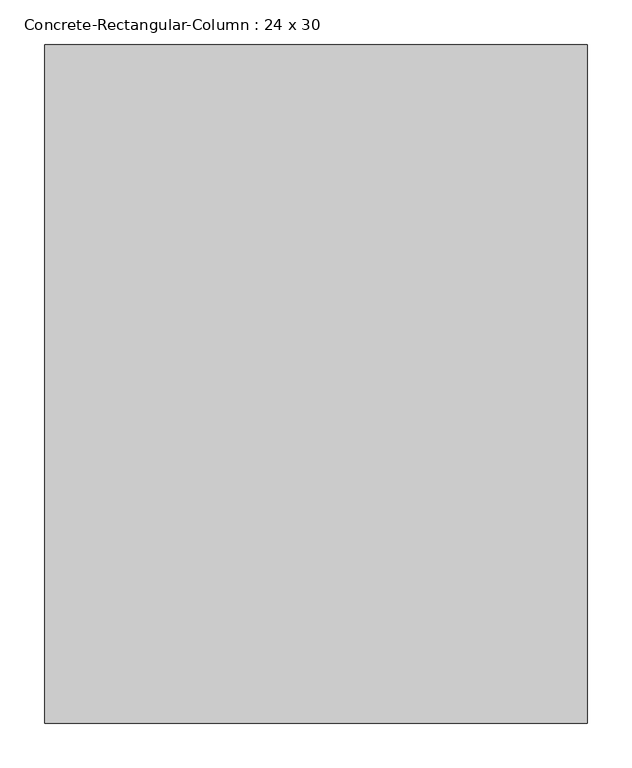
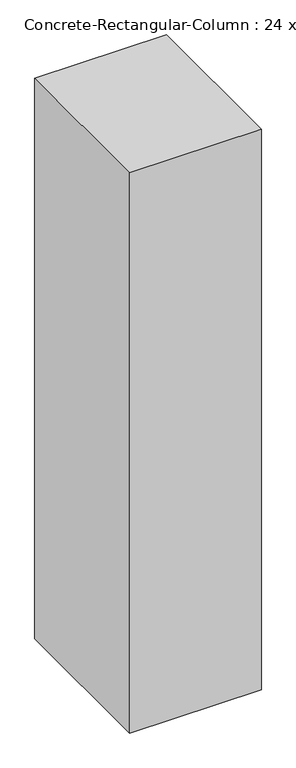
"""IFC4 building model written with IfcOpenShell, lengths in millimetres: column geometry, Concrete-Rectangular-Column : 24 x 30."""

from ifc_helpers import new_model, si_unit, frame, origin, place, context, project, spatial, polyline, outline, extrude, source, transform, mapped, element, save


def concrete_rectangular_column_24_x_30_e92cc832(model_context):
    return source(origin(), model_context, "Body", "SweptSolid", [
        extrude(outline(polyline([(304.8, 381.0), (304.8, -381.0), (-304.8, -381.0), (-304.8, 381.0), (304.8, 381.0)])), frame((0.0, 0.0, -2743.2), z_axis=(0.0, 0.0, 1.0), x_axis=(1.0, 0.0, 0.0)), (0.0, 0.0, 1.0), 2743.2),
    ])


if __name__ == "__main__":
    model = new_model("IFC4")
    model_context = context("Model", 3, world=origin())
    ifc_project = project(units=[si_unit("LENGTHUNIT", "METRE", prefix="MILLI")], contexts=[model_context])
    site = spatial("IfcSite", under=ifc_project)
    building = spatial("IfcBuilding", under=site)
    placement = place(None, origin())
    concrete_rectangular_column_24_x_30_shape = concrete_rectangular_column_24_x_30_e92cc832(model_context)
    element("IfcColumn", 1, ObjectType="Concrete-Rectangular-Column : 24 x 30", at=placement, inside=building, context=model_context, shape_type="MappedRepresentation", body=[
        mapped(concrete_rectangular_column_24_x_30_shape, transform((0.0, 0.0, 0.0), x_axis=(1.0, 0.0, 0.0), y_axis=(0.0, 1.0, 0.0), z_axis=(0.0, 0.0, 1.0))),
    ])
    save(model, "model.ifc")
